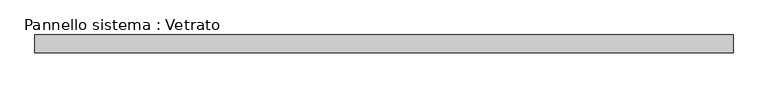
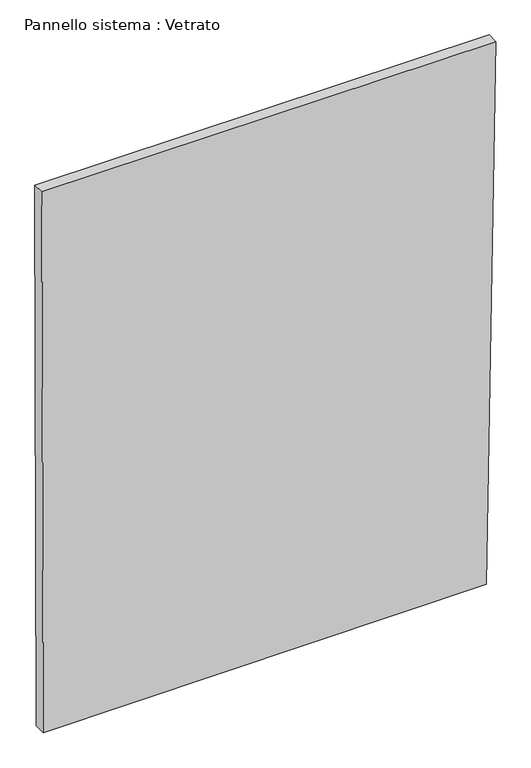
"""IFC4 building model written with IfcOpenShell, lengths in millimetres: plate geometry, Pannello sistema : Vetrato."""

from ifc_helpers import new_model, si_unit, frame, origin, place, context, project, spatial, polyline, outline, extrude, source, transform, mapped, element, save


def pannello_sistema_vetrato_ee1ab3a4(model_context):
    return source(origin(), model_context, "Body", "SweptSolid", [
        extrude(outline(polyline([(0.0, -581.0096012), (5.0599849, 560.3306645), (1473.5878054, 584.8284136), (1473.5878016, -584.8284136), (0.0, -581.0096012)])), frame((0.0, -15.0, 0.0), z_axis=(0.0, 1.0, 0.0), x_axis=(0.0, 0.0, 1.0)), (0.0, 0.0, 1.0), 30.0),
    ])


if __name__ == "__main__":
    model = new_model("IFC4")
    model_context = context("Model", 3, world=origin())
    ifc_project = project(units=[si_unit("LENGTHUNIT", "METRE", prefix="MILLI")], contexts=[model_context])
    site = spatial("IfcSite", under=ifc_project)
    building = spatial("IfcBuilding", under=site)
    placement = place(None, origin())
    pannello_sistema_vetrato_shape = pannello_sistema_vetrato_ee1ab3a4(model_context)
    element("IfcPlate", 1, ObjectType="Pannello sistema : Vetrato", at=placement, inside=building, context=model_context, shape_type="MappedRepresentation", body=[
        mapped(pannello_sistema_vetrato_shape, transform((0.0, 0.0, 0.0), x_axis=(1.0, 0.0, 0.0), y_axis=(0.0, 1.0, 0.0), z_axis=(0.0, 0.0, 1.0))),
    ])
    save(model, "model.ifc")
